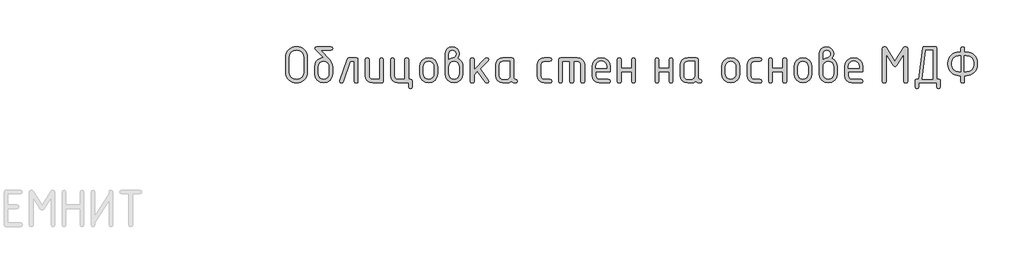
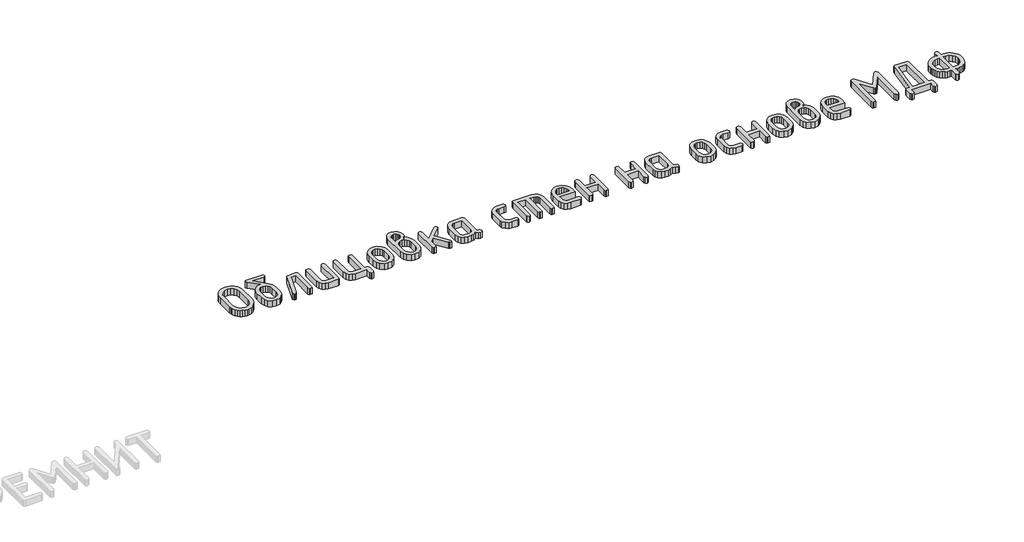
# One storey, part 18 of 33: 1 proxy.
"""IFC4 building model written with IfcOpenShell, lengths in millimetres."""

from ifc_helpers import new_model, si_unit, origin, origin_with_axes, place, context, project, spatial, polyline, outline, extrude, element, save

model = new_model("IFC4")

# Units and contexts
model_context = context("Model", 3, world=origin())
ifc_project = project(units=[si_unit("LENGTHUNIT", "METRE", prefix="MILLI")], contexts=[model_context])

# Site, building, storey
site = spatial("IfcSite", under=ifc_project)
building = spatial("IfcBuilding", under=site)
storey = spatial("IfcBuildingStorey", under=building, Elevation=0.0)

# Proxy
placement = place(None, origin())
element("IfcBuildingElementProxy", 1, Name="Generic Models", at=placement, inside=storey, context=model_context, shape_type="SweptSolid", body=[
    extrude(outline(polyline([(42153.9060887, -9615.316204), (42152.2516928, -9633.5498655), (42147.2885053, -9650.4015012), (42139.0165261, -9665.8711111), (42127.4357552, -9679.9586952), (42113.5146195, -9691.680695), (42098.2215457, -9700.053552), (42081.5565339, -9705.0772662), (42063.5195841, -9706.7518376), (42045.4826343, -9705.0772662), (42028.8176226, -9700.053552), (42013.5245488, -9691.680695), (41999.6034131, -9679.9586952), (41988.0226422, -9665.8711111), (41979.750663, -9650.4015012), (41974.7874754, -9633.5498655), (41973.1330796, -9615.316204), (41973.1330796, -9493.4558274), (41974.7874754, -9475.2221659), (41979.750663, -9458.3705302), (41988.0226422, -9442.9009203), (41999.6034131, -9428.8133362), (42013.5245488, -9417.0913364), (42028.8176226, -9408.7184794), (42045.4826343, -9403.6947652), (42063.5195841, -9402.0201938), (42081.6548898, -9403.6871993), (42098.3728624, -9408.688216), (42113.673502, -9417.0232439), (42127.5568086, -9428.6922828), (42139.0846186, -9442.7420378), (42147.3187686, -9458.2192135), (42152.2592587, -9475.12381), (42153.9060887, -9493.4558274), (42153.9060887, -9615.316204)]), holes=[polyline([(42122.91643, -9615.0740973), (42122.91643, -9493.6979341), (42118.6089481, -9470.1732322), (42105.6865025, -9450.60294), (42086.5298092, -9437.4081243), (42063.5195841, -9433.0098525), (42040.509359, -9437.4081243), (42021.3526657, -9450.60294), (42008.4302202, -9470.1732322), (42004.1227383, -9493.6979341), (42004.1227383, -9615.0740973), (42008.4302202, -9638.5987992), (42021.3526657, -9658.1690915), (42040.509359, -9671.3639071), (42063.5195841, -9675.7621789), (42086.5298092, -9671.3639071), (42105.6865025, -9658.1690915), (42118.6089481, -9638.5987992), (42122.91643, -9615.0740973)])]), origin_with_axes(), (0.0, 0.0, 1.0), 50.0),
    extrude(outline(polyline([(42365.6687564, -9569.8808451), (42365.6687564, -9630.7303311), (42360.1910922, -9659.9546284), (42343.7580993, -9684.5183716), (42319.5575162, -9701.1934711), (42290.7770813, -9706.7518376), (42261.9966463, -9701.1833833), (42237.7960632, -9684.4780205), (42221.3630704, -9659.8638384), (42215.8854061, -9630.5689267), (42215.8854061, -9569.6387383), (42218.4779654, -9548.2072507), (42226.2556434, -9529.8323603), (42239.2184401, -9514.5140671), (42257.3663555, -9502.2523711), (42273.083116, -9495.6549633), (42287.629694, -9493.4558274), (42221.0503492, -9426.4729713), (42215.8854061, -9417.5150231), (42219.6178845, -9405.8939011), (42230.8153198, -9402.0201938), (42350.7388428, -9402.0201938), (42361.936278, -9405.8939011), (42365.6687564, -9417.5150231), (42361.936278, -9429.1361451), (42350.7388428, -9433.0098525), (42265.759388, -9433.0098525), (42341.1352766, -9513.3892797), (42359.5353865, -9540.6666356), (42365.6687564, -9569.8808451)]), holes=[polyline([(42334.6790977, -9630.2461177), (42334.6790977, -9569.6387383), (42331.4610961, -9552.2070553), (42321.8070911, -9537.5192483), (42307.6135853, -9527.5323466), (42290.7770813, -9524.2033794), (42273.9405772, -9527.5323466), (42259.7470714, -9537.5192483), (42250.0930664, -9552.2070553), (42246.8750648, -9569.6387383), (42246.8750648, -9630.2461177), (42250.0628031, -9647.8392052), (42259.6260181, -9662.5270122), (42273.7892605, -9672.4533873), (42290.7770813, -9675.7621789), (42307.6135853, -9672.4332117), (42321.8070911, -9662.44631), (42331.4610961, -9647.7383274), (42334.6790977, -9630.2461177)])]), origin_with_axes(), (0.0, 0.0, 1.0), 50.0),
    extrude(outline(polyline([(42501.0064065, -9494.9891699), (42561.9365949, -9494.9891699), (42573.5577169, -9498.7619994), (42577.4314242, -9510.080488), (42577.4314242, -9691.6605195), (42573.5577169, -9702.9790081), (42561.9365949, -9706.7518376), (42550.3154729, -9702.9790081), (42546.4417655, -9691.6605195), (42546.4417655, -9525.9788286), (42511.8205062, -9525.9788286), (42454.683323, -9696.5026536), (42449.3771509, -9704.1895416), (42440.3990272, -9706.7518376), (42429.0200119, -9702.9184814), (42425.2270068, -9691.4184128), (42425.9533269, -9686.8183853), (42485.8343861, -9507.336612), (42491.7256494, -9498.0760304), (42501.0064065, -9494.9891699)])), origin_with_axes(), (0.0, 0.0, 1.0), 50.0),
    extrude(outline(polyline([(42789.194092, -9510.080488), (42789.194092, -9691.6605195), (42785.441438, -9702.9790081), (42774.1834761, -9706.7518376), (42699.2918009, -9706.7518376), (42676.0697324, -9702.3737413), (42656.7617224, -9689.2394524), (42643.7484868, -9669.7296868), (42639.4107416, -9646.2251605), (42639.4107416, -9510.080488), (42643.284449, -9498.7619994), (42654.905571, -9494.9891699), (42666.526693, -9498.7619994), (42670.4004003, -9510.080488), (42670.4004003, -9645.6602448), (42672.5591851, -9657.089699), (42679.0355396, -9666.8445818), (42688.5180523, -9673.5327797), (42699.6953121, -9675.7621789), (42758.2044333, -9675.7621789), (42758.2044333, -9510.080488), (42762.0781406, -9498.7619994), (42773.6992627, -9494.9891699), (42785.3203847, -9498.7619994), (42789.194092, -9510.080488)])), origin_with_axes(), (0.0, 0.0, 1.0), 50.0),
    extrude(outline(polyline([(43016.4515891, -9675.7621789), (43028.0727111, -9679.6358863), (43031.9464185, -9691.2570083), (43031.9464185, -9737.7414963), (43028.0727111, -9749.3626184), (43016.4515891, -9753.2363257), (43004.8304671, -9749.3626184), (43000.9567598, -9737.7414963), (43000.9567598, -9706.7518376), (42911.0544687, -9706.7518376), (42887.8324002, -9702.343478), (42868.5243902, -9689.118399), (42855.5111546, -9669.5783701), (42851.1734094, -9646.2251605), (42851.1734094, -9510.080488), (42855.0471167, -9498.7619994), (42866.6682387, -9494.9891699), (42878.2893608, -9498.7619994), (42882.1630681, -9510.080488), (42882.1630681, -9645.6602448), (42884.3218529, -9657.089699), (42890.7982074, -9666.8445818), (42900.2807201, -9673.5327797), (42911.4579798, -9675.7621789), (42969.9671011, -9675.7621789), (42969.9671011, -9510.080488), (42973.8408084, -9498.7619994), (42985.4619304, -9494.9891699), (42997.0830524, -9498.7619994), (43000.9567598, -9510.080488), (43000.9567598, -9675.7621789), (43016.4515891, -9675.7621789)])), origin_with_axes(), (0.0, 0.0, 1.0), 50.0),
    extrude(outline(polyline([(43093.9257359, -9631.1338423), (43093.9257359, -9570.6071652), (43099.4034002, -9541.5341846), (43115.836393, -9517.1015826), (43140.0369761, -9500.517273), (43168.8174111, -9494.9891699), (43197.9004794, -9500.4567464), (43222.0405358, -9516.8594759), (43238.2919486, -9541.2315512), (43243.7090863, -9570.6071652), (43243.7090863, -9631.1338423), (43238.231422, -9660.2068229), (43221.7984291, -9684.6394249), (43197.597846, -9701.2237345), (43168.8174111, -9706.7518376), (43140.0369761, -9701.2237345), (43115.836393, -9684.6394249), (43099.4034002, -9660.2068229), (43093.9257359, -9631.1338423)]), holes=[polyline([(43212.7194276, -9630.2461177), (43212.7194276, -9569.6387383), (43209.5014259, -9552.2070553), (43199.8474209, -9537.5192483), (43185.6539151, -9527.5323466), (43168.8174111, -9524.2033794), (43151.980907, -9527.5323466), (43137.7874012, -9537.5192483), (43128.1333962, -9552.2070553), (43124.9153946, -9569.6387383), (43124.9153946, -9630.2461177), (43128.1031329, -9647.8392052), (43137.6663479, -9662.5270122), (43151.8295903, -9672.4533873), (43168.8174111, -9675.7621789), (43185.6539151, -9672.4332117), (43199.8474209, -9662.44631), (43209.5014259, -9647.7383274), (43212.7194276, -9630.2461177)])]), origin_with_axes(), (0.0, 0.0, 1.0), 50.0),
    extrude(outline(polyline([(43410.5206085, -9499.6698996), (43429.0518595, -9511.0590026), (43443.3260675, -9527.6332244), (43452.4353324, -9547.7179934), (43455.471754, -9569.6387383), (43455.471754, -9630.5689267), (43449.9940897, -9660.0151551), (43433.5610969, -9684.5990738), (43409.3605138, -9701.2136467), (43380.5800788, -9706.7518376), (43351.6483272, -9701.1833833), (43327.4780074, -9684.4780205), (43311.1358046, -9659.8638384), (43305.6884037, -9630.5689267), (43305.6884037, -9462.9503821), (43310.0160611, -9439.344978), (43322.9990333, -9419.6939835), (43342.1759022, -9406.4386412), (43365.0852495, -9402.0201938), (43388.0954746, -9406.4689045), (43407.2521679, -9419.8150368), (43420.1746135, -9439.4962947), (43424.4820953, -9462.9503821), (43420.9917236, -9483.6706812), (43410.5206085, -9499.6698996)]), holes=[polyline([(43424.4820953, -9630.2461177), (43424.4820953, -9569.6387383), (43421.294357, -9552.2070553), (43411.731142, -9537.5192483), (43397.5678996, -9527.5323466), (43380.5800788, -9524.2033794), (43363.5922581, -9527.5323466), (43349.4290157, -9537.5192483), (43339.8658007, -9552.2070553), (43336.6780624, -9569.6387383), (43336.6780624, -9630.2461177), (43339.8658007, -9647.8392052), (43349.4290157, -9662.5270122), (43363.5922581, -9672.4533873), (43380.5800788, -9675.7621789), (43397.5678996, -9672.4332117), (43411.731142, -9662.44631), (43421.294357, -9647.7383274), (43424.4820953, -9630.2461177)]), polyline([(43336.6780624, -9509.7576791), (43355.1588744, -9498.4391905), (43372.0256418, -9494.6663609), (43381.1046434, -9492.0233627), (43389.4573248, -9484.094368), (43395.3284125, -9474.2285196), (43397.2854417, -9464.3223201), (43395.1064814, -9452.5196181), (43388.5696002, -9442.774823), (43378.8046296, -9436.2379419), (43366.9414009, -9434.0589815), (43355.2900156, -9436.2682053), (43345.5149572, -9442.8958764), (43338.8872861, -9452.6709348), (43336.6780624, -9464.3223201), (43336.6780624, -9509.7576791)])]), origin_with_axes(), (0.0, 0.0, 1.0), 50.0),
    extrude(outline(polyline([(43548.4407301, -9594.4143249), (43643.6693688, -9499.3470906), (43654.4834685, -9494.9891699), (43665.8624838, -9498.7619994), (43669.6554889, -9510.080488), (43665.0554614, -9520.652481), (43598.4761166, -9587.1511236), (43666.6695062, -9682.944678), (43669.6554889, -9691.8219239), (43665.8624838, -9703.0193592), (43654.4834685, -9706.7518376), (43647.3413206, -9705.1377929), (43641.8939196, -9700.2956587), (43576.6865128, -9608.6986207), (43548.4407301, -9636.9444033), (43548.4407301, -9691.5798172), (43544.5670228, -9702.9588325), (43532.9459008, -9706.7518376), (43521.3247788, -9702.9790081), (43517.4510714, -9691.6605195), (43517.4510714, -9510.080488), (43521.3247788, -9498.7619994), (43532.9459008, -9494.9891699), (43544.5670228, -9498.7619994), (43548.4407301, -9510.080488), (43548.4407301, -9594.4143249)])), origin_with_axes(), (0.0, 0.0, 1.0), 50.0),
    extrude(outline(polyline([(43909.2604282, -9691.6605195), (43905.4875986, -9702.9790081), (43894.16911, -9706.7518376), (43875.0225045, -9702.7369014), (43859.7092551, -9690.6920926), (43841.2889697, -9702.7369014), (43819.1160303, -9706.7518376), (43789.0947985, -9706.7518376), (43765.87273, -9702.3737413), (43746.56472, -9689.2394524), (43733.5514844, -9669.7296868), (43729.2137392, -9646.2251605), (43729.2137392, -9555.515847), (43733.5514844, -9532.0113207), (43746.56472, -9512.5015551), (43765.87273, -9499.3672662), (43789.0947985, -9494.9891699), (43863.9864737, -9494.9891699), (43875.2444356, -9498.7619994), (43878.9970896, -9510.080488), (43878.9970896, -9661.3971809), (43882.7800069, -9672.7156695), (43894.1287589, -9676.4884991), (43905.4775108, -9680.2815042), (43909.2604282, -9691.6605195)]), holes=[polyline([(43848.0074309, -9525.9788286), (43789.4983096, -9525.9788286), (43778.2201721, -9528.1678767), (43768.7578349, -9534.7350212), (43762.3420072, -9544.4092018), (43760.2033979, -9555.9193582), (43760.2033979, -9645.8216493), (43762.3621827, -9657.230928), (43768.8385372, -9666.9252841), (43778.3210499, -9673.5529552), (43789.4983096, -9675.7621789), (43818.7125191, -9675.7621789), (43829.9906567, -9673.5731308), (43839.4529938, -9667.0059863), (43845.8688216, -9657.3318058), (43848.0074309, -9645.8216493), (43848.0074309, -9525.9788286)])]), origin_with_axes(), (0.0, 0.0, 1.0), 50.0),
    extrude(outline(polyline([(44106.2545867, -9555.9193582), (44106.2545867, -9645.8216493), (44108.4940738, -9657.230928), (44115.2125349, -9666.9252841), (44125.0178566, -9673.5529552), (44136.5179253, -9675.7621789), (44182.0339865, -9675.7621789), (44193.3524751, -9679.6358863), (44197.1253047, -9691.2570083), (44193.3524751, -9702.8781303), (44182.0339865, -9706.7518376), (44136.5179253, -9706.7518376), (44112.9730479, -9702.3737413), (44093.1808244, -9689.2394524), (44079.7439021, -9669.7296868), (44075.264928, -9646.2251605), (44075.264928, -9555.515847), (44079.7439021, -9532.0113207), (44093.1808244, -9512.5015551), (44112.9730479, -9499.3672662), (44136.5179253, -9494.9891699), (44182.0339865, -9494.9891699), (44193.3524751, -9498.8628772), (44197.1253047, -9510.4839992), (44193.3524751, -9522.1051212), (44182.0339865, -9525.9788286), (44136.5179253, -9525.9788286), (44124.8665399, -9528.1678767), (44115.0914816, -9534.7350212), (44108.4638104, -9544.4092018), (44106.2545867, -9555.9193582)])), origin_with_axes(), (0.0, 0.0, 1.0), 50.0),
    extrude(outline(polyline([(44271.5327664, -9494.9891699), (44410.9862306, -9494.9891699), (44434.8740925, -9499.3975295), (44454.8882471, -9512.6226085), (44468.4462228, -9532.1626374), (44472.965548, -9555.515847), (44472.965548, -9691.6605195), (44469.0918406, -9702.9790081), (44457.4707186, -9706.7518376), (44445.8495966, -9702.9790081), (44441.9758893, -9691.6605195), (44441.9758893, -9556.0807627), (44439.74649, -9544.3486751), (44433.0582922, -9534.654319), (44423.0814782, -9528.1477012), (44410.9862306, -9525.9788286), (44379.9965719, -9525.9788286), (44379.9965719, -9691.6605195), (44376.1228645, -9702.9790081), (44364.5017425, -9706.7518376), (44352.8806205, -9702.9790081), (44349.0069132, -9691.6605195), (44349.0069132, -9525.9788286), (44287.0275958, -9525.9788286), (44287.0275958, -9691.6605195), (44283.1538884, -9702.9790081), (44271.5327664, -9706.7518376), (44259.9116444, -9702.9790081), (44256.0379371, -9691.6605195), (44256.0379371, -9510.080488), (44259.9116444, -9498.7619994), (44271.5327664, -9494.9891699)])), origin_with_axes(), (0.0, 0.0, 1.0), 50.0),
    extrude(outline(polyline([(44565.9345241, -9613.7828615), (44565.9345241, -9644.7725202), (44568.1740111, -9656.5651345), (44574.8924723, -9666.6024751), (44584.697794, -9673.472253), (44596.1978627, -9675.7621789), (44671.9772624, -9675.7621789), (44683.3562777, -9679.6358863), (44687.1492828, -9691.2570083), (44683.3562777, -9702.8781303), (44671.9772624, -9706.7518376), (44596.1978627, -9706.7518376), (44572.6529852, -9702.3737413), (44552.8607618, -9689.2394524), (44539.4238395, -9669.7296868), (44534.9448654, -9646.2251605), (44534.9448654, -9570.6071652), (44540.5637586, -9541.5341846), (44557.4204382, -9517.1015826), (44582.1455858, -9500.517273), (44611.3698831, -9494.9891699), (44640.8161115, -9500.3558686), (44665.2386257, -9516.4559647), (44681.6716186, -9540.3841777), (44687.1492828, -9569.2352272), (44687.1492828, -9613.7828615), (44565.9345241, -9613.7828615)]), holes=[polyline([(44611.3698831, -9522.1858235), (44593.9382, -9525.5147907), (44579.250393, -9535.5016924), (44569.2634913, -9550.1894994), (44565.9345241, -9567.6211824), (44565.9345241, -9582.7932028), (44656.805242, -9582.7932028), (44656.805242, -9567.6211824), (44653.4762748, -9550.1894994), (44643.4893731, -9535.5016924), (44628.8015661, -9525.5147907), (44611.3698831, -9522.1858235)])]), origin_with_axes(), (0.0, 0.0, 1.0), 50.0),
    extrude(outline(polyline([(44777.6971919, -9613.7828615), (44777.6971919, -9691.2570083), (44773.8234845, -9702.8781303), (44762.2023625, -9706.7518376), (44750.5812405, -9702.9790081), (44746.7075332, -9691.6605195), (44746.7075332, -9510.080488), (44750.5812405, -9498.7619994), (44762.2023625, -9494.9891699), (44773.8234845, -9498.6409461), (44777.6971919, -9509.5962746), (44777.6971919, -9582.7932028), (44865.5012248, -9582.7932028), (44865.5012248, -9509.5962746), (44869.3749322, -9498.6409461), (44880.9960542, -9494.9891699), (44892.6171762, -9498.7619994), (44896.4908835, -9510.080488), (44896.4908835, -9691.6605195), (44892.6171762, -9702.9790081), (44880.9960542, -9706.7518376), (44869.3749322, -9702.8781303), (44865.5012248, -9691.2570083), (44865.5012248, -9613.7828615), (44777.6971919, -9613.7828615)])), origin_with_axes(), (0.0, 0.0, 1.0), 50.0),
    extrude(outline(polyline([(45092.758722, -9613.7828615), (45092.758722, -9691.2570083), (45088.8850146, -9702.8781303), (45077.2638926, -9706.7518376), (45065.6427706, -9702.9790081), (45061.7690633, -9691.6605195), (45061.7690633, -9510.080488), (45065.6427706, -9498.7619994), (45077.2638926, -9494.9891699), (45088.8850146, -9498.6409461), (45092.758722, -9509.5962746), (45092.758722, -9582.7932028), (45180.5627549, -9582.7932028), (45180.5627549, -9509.5962746), (45184.4364623, -9498.6409461), (45196.0575843, -9494.9891699), (45207.6787063, -9498.7619994), (45211.5524136, -9510.080488), (45211.5524136, -9691.6605195), (45207.6787063, -9702.9790081), (45196.0575843, -9706.7518376), (45184.4364623, -9702.8781303), (45180.5627549, -9691.2570083), (45180.5627549, -9613.7828615), (45092.758722, -9613.7828615)])), origin_with_axes(), (0.0, 0.0, 1.0), 50.0),
    extrude(outline(polyline([(45453.57842, -9691.6605195), (45449.8055904, -9702.9790081), (45438.4871018, -9706.7518376), (45419.3404963, -9702.7369014), (45404.027247, -9690.6920926), (45385.6069616, -9702.7369014), (45363.4340222, -9706.7518376), (45333.4127903, -9706.7518376), (45310.1907218, -9702.3737413), (45290.8827118, -9689.2394524), (45277.8694762, -9669.7296868), (45273.531731, -9646.2251605), (45273.531731, -9555.515847), (45277.8694762, -9532.0113207), (45290.8827118, -9512.5015551), (45310.1907218, -9499.3672662), (45333.4127903, -9494.9891699), (45408.3044655, -9494.9891699), (45419.5624274, -9498.7619994), (45423.3150814, -9510.080488), (45423.3150814, -9661.3971809), (45427.0979987, -9672.7156695), (45438.4467507, -9676.4884991), (45449.7955027, -9680.2815042), (45453.57842, -9691.6605195)]), holes=[polyline([(45392.3254227, -9525.9788286), (45333.8163015, -9525.9788286), (45322.538164, -9528.1678767), (45313.0758268, -9534.7350212), (45306.659999, -9544.4092018), (45304.5213897, -9555.9193582), (45304.5213897, -9645.8216493), (45306.6801746, -9657.230928), (45313.156529, -9666.9252841), (45322.6390418, -9673.5529552), (45333.8163015, -9675.7621789), (45363.030511, -9675.7621789), (45374.3086485, -9673.5731308), (45383.7709857, -9667.0059863), (45390.1868135, -9657.3318058), (45392.3254227, -9645.8216493), (45392.3254227, -9525.9788286)])]), origin_with_axes(), (0.0, 0.0, 1.0), 50.0),
    extrude(outline(polyline([(45619.5829198, -9631.1338423), (45619.5829198, -9570.6071652), (45625.0605841, -9541.5341846), (45641.493577, -9517.1015826), (45665.69416, -9500.517273), (45694.474595, -9494.9891699), (45723.5576634, -9500.4567464), (45747.6977198, -9516.8594759), (45763.9491326, -9541.2315512), (45769.3662702, -9570.6071652), (45769.3662702, -9631.1338423), (45763.8886059, -9660.2068229), (45747.4556131, -9684.6394249), (45723.25503, -9701.2237345), (45694.474595, -9706.7518376), (45665.69416, -9701.2237345), (45641.493577, -9684.6394249), (45625.0605841, -9660.2068229), (45619.5829198, -9631.1338423)]), holes=[polyline([(45738.3766115, -9630.2461177), (45738.3766115, -9569.6387383), (45735.1586099, -9552.2070553), (45725.5046048, -9537.5192483), (45711.3110991, -9527.5323466), (45694.474595, -9524.2033794), (45677.638091, -9527.5323466), (45663.4445852, -9537.5192483), (45653.7905802, -9552.2070553), (45650.5725785, -9569.6387383), (45650.5725785, -9630.2461177), (45653.7603169, -9647.8392052), (45663.3235319, -9662.5270122), (45677.4867743, -9672.4533873), (45694.474595, -9675.7621789), (45711.3110991, -9672.4332117), (45725.5046048, -9662.44631), (45735.1586099, -9647.7383274), (45738.3766115, -9630.2461177)])]), origin_with_axes(), (0.0, 0.0, 1.0), 50.0),
    extrude(outline(polyline([(45862.3352463, -9555.9193582), (45862.3352463, -9645.8216493), (45864.5747334, -9657.230928), (45871.2931945, -9666.9252841), (45881.0985162, -9673.5529552), (45892.5985849, -9675.7621789), (45938.1146461, -9675.7621789), (45949.4331347, -9679.6358863), (45953.2059643, -9691.2570083), (45949.4331347, -9702.8781303), (45938.1146461, -9706.7518376), (45892.5985849, -9706.7518376), (45869.0537075, -9702.3737413), (45849.2614841, -9689.2394524), (45835.8245617, -9669.7296868), (45831.3455876, -9646.2251605), (45831.3455876, -9555.515847), (45835.8245617, -9532.0113207), (45849.2614841, -9512.5015551), (45869.0537075, -9499.3672662), (45892.5985849, -9494.9891699), (45938.1146461, -9494.9891699), (45949.4331347, -9498.8628772), (45953.2059643, -9510.4839992), (45949.4331347, -9522.1051212), (45938.1146461, -9525.9788286), (45892.5985849, -9525.9788286), (45880.9471995, -9528.1678767), (45871.1721412, -9534.7350212), (45864.54447, -9544.4092018), (45862.3352463, -9555.9193582)])), origin_with_axes(), (0.0, 0.0, 1.0), 50.0),
    extrude(outline(polyline([(46043.1082554, -9613.7828615), (46043.1082554, -9691.2570083), (46039.2345481, -9702.8781303), (46027.613426, -9706.7518376), (46015.992304, -9702.9790081), (46012.1185967, -9691.6605195), (46012.1185967, -9510.080488), (46015.992304, -9498.7619994), (46027.613426, -9494.9891699), (46039.2345481, -9498.6409461), (46043.1082554, -9509.5962746), (46043.1082554, -9582.7932028), (46130.9122884, -9582.7932028), (46130.9122884, -9509.5962746), (46134.7859957, -9498.6409461), (46146.4071177, -9494.9891699), (46158.0282397, -9498.7619994), (46161.9019471, -9510.080488), (46161.9019471, -9691.6605195), (46158.0282397, -9702.9790081), (46146.4071177, -9706.7518376), (46134.7859957, -9702.8781303), (46130.9122884, -9691.2570083), (46130.9122884, -9613.7828615), (46043.1082554, -9613.7828615)])), origin_with_axes(), (0.0, 0.0, 1.0), 50.0),
    extrude(outline(polyline([(46223.8812645, -9631.1338423), (46223.8812645, -9570.6071652), (46229.3589288, -9541.5341846), (46245.7919216, -9517.1015826), (46269.9925047, -9500.517273), (46298.7729397, -9494.9891699), (46327.856008, -9500.4567464), (46351.9960644, -9516.8594759), (46368.2474772, -9541.2315512), (46373.6646149, -9570.6071652), (46373.6646149, -9631.1338423), (46368.1869506, -9660.2068229), (46351.7539577, -9684.6394249), (46327.5533746, -9701.2237345), (46298.7729397, -9706.7518376), (46269.9925047, -9701.2237345), (46245.7919216, -9684.6394249), (46229.3589288, -9660.2068229), (46223.8812645, -9631.1338423)]), holes=[polyline([(46342.6749562, -9630.2461177), (46342.6749562, -9569.6387383), (46339.4569545, -9552.2070553), (46329.8029495, -9537.5192483), (46315.6094437, -9527.5323466), (46298.7729397, -9524.2033794), (46281.9364356, -9527.5323466), (46267.7429298, -9537.5192483), (46258.0889248, -9552.2070553), (46254.8709232, -9569.6387383), (46254.8709232, -9630.2461177), (46258.0586615, -9647.8392052), (46267.6218765, -9662.5270122), (46281.7851189, -9672.4533873), (46298.7729397, -9675.7621789), (46315.6094437, -9672.4332117), (46329.8029495, -9662.44631), (46339.4569545, -9647.7383274), (46342.6749562, -9630.2461177)])]), origin_with_axes(), (0.0, 0.0, 1.0), 50.0),
    extrude(outline(polyline([(46540.4761371, -9499.6698996), (46559.0073881, -9511.0590026), (46573.2815961, -9527.6332244), (46582.390861, -9547.7179934), (46585.4272826, -9569.6387383), (46585.4272826, -9630.5689267), (46579.9496183, -9660.0151551), (46563.5166255, -9684.5990738), (46539.3160424, -9701.2136467), (46510.5356074, -9706.7518376), (46481.6038558, -9701.1833833), (46457.433536, -9684.4780205), (46441.0913332, -9659.8638384), (46435.6439323, -9630.5689267), (46435.6439323, -9462.9503821), (46439.9715897, -9439.344978), (46452.9545619, -9419.6939835), (46472.1314308, -9406.4386412), (46495.0407781, -9402.0201938), (46518.0510032, -9406.4689045), (46537.2076965, -9419.8150368), (46550.1301421, -9439.4962947), (46554.4376239, -9462.9503821), (46550.9472522, -9483.6706812), (46540.4761371, -9499.6698996)]), holes=[polyline([(46466.6335909, -9509.7576791), (46485.114403, -9498.4391905), (46501.9811704, -9494.6663609), (46511.060172, -9492.0233627), (46519.4128534, -9484.094368), (46525.2839411, -9474.2285196), (46527.2409703, -9464.3223201), (46525.06201, -9452.5196181), (46518.5251288, -9442.774823), (46508.7601582, -9436.2379419), (46496.8969295, -9434.0589815), (46485.2455442, -9436.2682053), (46475.4704858, -9442.8958764), (46468.8428147, -9452.6709348), (46466.6335909, -9464.3223201), (46466.6335909, -9509.7576791)]), polyline([(46554.4376239, -9630.2461177), (46554.4376239, -9569.6387383), (46551.2498856, -9552.2070553), (46541.6866706, -9537.5192483), (46527.5234282, -9527.5323466), (46510.5356074, -9524.2033794), (46493.5477867, -9527.5323466), (46479.3845443, -9537.5192483), (46469.8213293, -9552.2070553), (46466.6335909, -9569.6387383), (46466.6335909, -9630.2461177), (46469.8213293, -9647.8392052), (46479.3845443, -9662.5270122), (46493.5477867, -9672.4533873), (46510.5356074, -9675.7621789), (46527.5234282, -9672.4332117), (46541.6866706, -9662.44631), (46551.2498856, -9647.7383274), (46554.4376239, -9630.2461177)])]), origin_with_axes(), (0.0, 0.0, 1.0), 50.0),
    extrude(outline(polyline([(46678.3962587, -9613.7828615), (46678.3962587, -9644.7725202), (46680.6357458, -9656.5651345), (46687.3542069, -9666.6024751), (46697.1595286, -9673.472253), (46708.6595973, -9675.7621789), (46784.4389971, -9675.7621789), (46795.8180124, -9679.6358863), (46799.6110175, -9691.2570083), (46795.8180124, -9702.8781303), (46784.4389971, -9706.7518376), (46708.6595973, -9706.7518376), (46685.1147199, -9702.3737413), (46665.3224965, -9689.2394524), (46651.8855741, -9669.7296868), (46647.4066, -9646.2251605), (46647.4066, -9570.6071652), (46653.0254932, -9541.5341846), (46669.8821728, -9517.1015826), (46694.6073204, -9500.517273), (46723.8316177, -9494.9891699), (46753.2778461, -9500.3558686), (46777.7003604, -9516.4559647), (46794.1333532, -9540.3841777), (46799.6110175, -9569.2352272), (46799.6110175, -9613.7828615), (46678.3962587, -9613.7828615)]), holes=[polyline([(46723.8316177, -9522.1858235), (46706.3999347, -9525.5147907), (46691.7121277, -9535.5016924), (46681.725226, -9550.1894994), (46678.3962587, -9567.6211824), (46678.3962587, -9582.7932028), (46769.2669767, -9582.7932028), (46769.2669767, -9567.6211824), (46765.9380094, -9550.1894994), (46755.9511077, -9535.5016924), (46741.2633007, -9525.5147907), (46723.8316177, -9522.1858235)])]), origin_with_axes(), (0.0, 0.0, 1.0), 50.0),
    extrude(outline(polyline([(47157.4447328, -9402.0201938), (47170.0342816, -9405.8333744), (47174.2307979, -9417.2729164), (47174.2307979, -9691.499115), (47170.3570906, -9702.938657), (47158.7359686, -9706.7518376), (47147.1148465, -9702.938657), (47143.2411392, -9691.499115), (47143.2411392, -9467.3890051), (47082.2302486, -9559.95447), (47075.6933675, -9566.7939845), (47068.349464, -9569.0738227), (47060.8845072, -9566.7939845), (47054.3072749, -9559.95447), (46993.4577888, -9467.3890051), (46993.4577888, -9691.499115), (46989.5840815, -9702.938657), (46977.9629595, -9706.7518376), (46966.3418375, -9702.938657), (46962.4681301, -9691.499115), (46962.4681301, -9417.2729164), (46966.5839442, -9405.8333744), (46978.9313863, -9402.0201938), (46987.0823122, -9403.9166963), (46993.4577888, -9409.606204), (47068.1073573, -9526.7051487), (47143.2411392, -9408.7184794), (47149.2131047, -9403.6947652), (47157.4447328, -9402.0201938)])), origin_with_axes(), (0.0, 0.0, 1.0), 50.0),
    extrude(outline(polyline([(47416.9831244, -9675.7621789), (47437.1586834, -9676.7306058), (47445.2692582, -9681.7744955), (47447.9727831, -9691.2570083), (47447.9727831, -9737.7414963), (47444.0990757, -9749.3626184), (47432.4779537, -9753.2363257), (47420.8568317, -9749.3626184), (47416.9831244, -9737.7414963), (47416.9831244, -9706.7518376), (47267.199774, -9706.7518376), (47267.199774, -9737.7414963), (47263.3260667, -9749.3626184), (47251.7049447, -9753.2363257), (47240.0838226, -9749.3626184), (47236.2101153, -9737.7414963), (47236.2101153, -9691.2570083), (47238.9338158, -9681.7744955), (47247.1049172, -9676.7306058), (47267.199774, -9675.7621789), (47299.1578595, -9416.3044896), (47303.3342003, -9405.5912677), (47312.312324, -9402.0201938), (47402.0532107, -9402.0201938), (47413.250646, -9405.8131989), (47416.9831244, -9417.1922142), (47416.9831244, -9675.7621789)]), holes=[polyline([(47385.9934657, -9675.7621789), (47385.9934657, -9433.0098525), (47325.3860863, -9433.0098525), (47295.0420455, -9675.7621789), (47385.9934657, -9675.7621789)])]), origin_with_axes(), (0.0, 0.0, 1.0), 50.0),
    extrude(outline(polyline([(47649.4055646, -9644.7725202), (47649.4055646, -9691.2570083), (47645.5318573, -9702.8781303), (47633.9107353, -9706.7518376), (47622.2896133, -9702.8781303), (47618.4159059, -9691.2570083), (47618.4159059, -9644.7725202), (47602.9210766, -9644.7725202), (47584.27886, -9643.1080366), (47567.0892837, -9638.1145858), (47551.3523477, -9629.7921676), (47537.0680518, -9618.1407823), (47525.2048231, -9604.1591199), (47516.7310883, -9588.8458706), (47511.6468474, -9572.2010343), (47509.9521005, -9554.2246112), (47509.9521005, -9539.0525908), (47511.6619791, -9520.9122413), (47516.791615, -9504.179137), (47525.3410081, -9488.853278), (47537.3101586, -9474.9346642), (47551.6701127, -9463.3715469), (47567.3919171, -9455.1121774), (47584.4755717, -9450.1565557), (47602.9210766, -9448.5046818), (47618.4159059, -9448.5046818), (47618.4159059, -9417.5150231), (47622.2896133, -9405.8939011), (47633.9107353, -9402.0201938), (47645.5318573, -9405.8939011), (47649.4055646, -9417.5150231), (47649.4055646, -9448.5046818), (47664.900394, -9448.5046818), (47683.5426105, -9450.1641215), (47700.7321868, -9455.1424407), (47716.4691229, -9463.4396394), (47730.7534187, -9475.0557175), (47742.6166474, -9489.0121605), (47751.0903822, -9504.3304537), (47756.1746231, -9521.0105971), (47757.8693701, -9539.0525908), (47757.8693701, -9554.2246112), (47756.1594914, -9572.3649608), (47751.0298556, -9589.098065), (47742.4804624, -9604.4239241), (47730.511312, -9618.3425379), (47716.1513579, -9629.9056552), (47700.4295535, -9638.1650247), (47683.3458988, -9643.1206463), (47664.900394, -9644.7725202), (47649.4055646, -9644.7725202)]), holes=[polyline([(47649.4055646, -9613.7828615), (47664.900394, -9613.7828615), (47688.9395726, -9609.4350286), (47708.9234638, -9596.3915296), (47722.3906495, -9577.113783), (47726.8797114, -9554.0632068), (47726.8797114, -9539.2139953), (47722.3603861, -9516.0625413), (47708.8024105, -9496.8049702), (47688.7882559, -9483.8219979), (47664.900394, -9479.4943405), (47649.4055646, -9479.4943405), (47649.4055646, -9613.7828615)]), polyline([(47618.4159059, -9613.7828615), (47618.4159059, -9479.4943405), (47602.9210766, -9479.4943405), (47578.881898, -9483.8421735), (47558.8980067, -9496.8856724), (47545.4308211, -9516.1634191), (47540.9417592, -9539.2139953), (47540.9417592, -9554.0632068), (47545.4610844, -9577.2146608), (47559.0190601, -9596.4722319), (47579.0332147, -9609.4552041), (47602.9210766, -9613.7828615), (47618.4159059, -9613.7828615)])]), origin_with_axes(), (0.0, 0.0, 1.0), 50.0),
])

save(model, "model.ifc")
